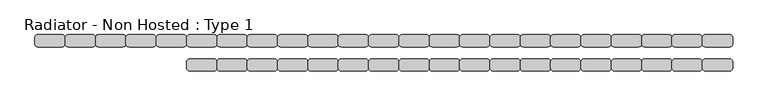
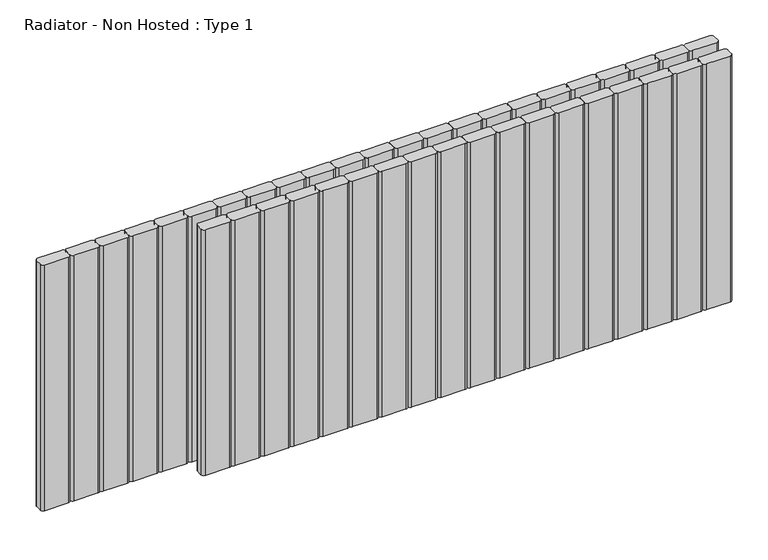
"""IFC4 building model written with IfcOpenShell, lengths in millimetres: proxy geometry, Radiator - Non Hosted : Type 1."""

from ifc_helpers import new_model, si_unit, point, frame, frame_2d, origin, place, context, project, spatial, polyline, circle_curve, trimmed, segment, composite_curve, outline, extrude, source, transform, mapped, element, save


def radiator_non_hosted_type_1_db65b21e(model_context):
    return source(origin(), model_context, "Body", "SweptSolid", [
        extrude(outline(composite_curve([segment(trimmed(circle_curve(frame_2d((1295.0, 95.0)), 5.0), [point((1295.0, 100.0))], [point((1300.0, 95.0))], False, "CARTESIAN"), True, "CONTINUOUS"), segment(polyline([(1300.0, 95.0), (1300.0, 85.0)]), True, "CONTINUOUS"), segment(trimmed(circle_curve(frame_2d((1295.0, 85.0)), 5.0), [point((1300.0, 85.0))], [point((1295.0, 80.0))], False, "CARTESIAN"), True, "CONTINUOUS"), segment(polyline([(1295.0, 80.0), (1255.0, 80.0)]), True, "CONTINUOUS"), segment(trimmed(circle_curve(frame_2d((1255.0, 85.0)), 5.0), [point((1255.0, 80.0))], [point((1250.0, 85.0))], False, "CARTESIAN"), True, "CONTINUOUS"), segment(polyline([(1250.0, 85.0), (1250.0, 95.0)]), True, "CONTINUOUS"), segment(trimmed(circle_curve(frame_2d((1255.0, 95.0)), 5.0), [point((1250.0, 95.0))], [point((1255.0, 100.0))], False, "CARTESIAN"), True, "CONTINUOUS"), segment(polyline([(1255.0, 100.0), (1295.0, 100.0)]), True, "CONTINUOUS")], self_intersect=False)), frame((0.0, 0.0, 100.0), z_axis=(0.0, 0.0, 1.0), x_axis=(1.0, 0.0, 0.0)), (0.0, 0.0, 1.0), 441.0619944),
        extrude(outline(composite_curve([segment(trimmed(circle_curve(frame_2d((1245.0, 95.0)), 5.0), [point((1245.0, 100.0))], [point((1250.0, 95.0))], False, "CARTESIAN"), True, "CONTINUOUS"), segment(polyline([(1250.0, 95.0), (1250.0, 85.0)]), True, "CONTINUOUS"), segment(trimmed(circle_curve(frame_2d((1245.0, 85.0)), 5.0), [point((1250.0, 85.0))], [point((1245.0, 80.0))], False, "CARTESIAN"), True, "CONTINUOUS"), segment(polyline([(1245.0, 80.0), (1205.0, 80.0)]), True, "CONTINUOUS"), segment(trimmed(circle_curve(frame_2d((1205.0, 85.0)), 5.0), [point((1205.0, 80.0))], [point((1200.0, 85.0))], False, "CARTESIAN"), True, "CONTINUOUS"), segment(polyline([(1200.0, 85.0), (1200.0, 95.0)]), True, "CONTINUOUS"), segment(trimmed(circle_curve(frame_2d((1205.0, 95.0)), 5.0), [point((1200.0, 95.0))], [point((1205.0, 100.0))], False, "CARTESIAN"), True, "CONTINUOUS"), segment(polyline([(1205.0, 100.0), (1245.0, 100.0)]), True, "CONTINUOUS")], self_intersect=False)), frame((0.0, 0.0, 100.0), z_axis=(0.0, 0.0, 1.0), x_axis=(1.0, 0.0, 0.0)), (0.0, 0.0, 1.0), 441.0619944),
        extrude(outline(composite_curve([segment(trimmed(circle_curve(frame_2d((1195.0, 95.0)), 5.0), [point((1195.0, 100.0))], [point((1200.0, 95.0))], False, "CARTESIAN"), True, "CONTINUOUS"), segment(polyline([(1200.0, 95.0), (1200.0, 85.0)]), True, "CONTINUOUS"), segment(trimmed(circle_curve(frame_2d((1195.0, 85.0)), 5.0), [point((1200.0, 85.0))], [point((1195.0, 80.0))], False, "CARTESIAN"), True, "CONTINUOUS"), segment(polyline([(1195.0, 80.0), (1155.0, 80.0)]), True, "CONTINUOUS"), segment(trimmed(circle_curve(frame_2d((1155.0, 85.0)), 5.0), [point((1155.0, 80.0))], [point((1150.0, 85.0))], False, "CARTESIAN"), True, "CONTINUOUS"), segment(polyline([(1150.0, 85.0), (1150.0, 95.0)]), True, "CONTINUOUS"), segment(trimmed(circle_curve(frame_2d((1155.0, 95.0)), 5.0), [point((1150.0, 95.0))], [point((1155.0, 100.0))], False, "CARTESIAN"), True, "CONTINUOUS"), segment(polyline([(1155.0, 100.0), (1195.0, 100.0)]), True, "CONTINUOUS")], self_intersect=False)), frame((0.0, 0.0, 100.0), z_axis=(0.0, 0.0, 1.0), x_axis=(1.0, 0.0, 0.0)), (0.0, 0.0, 1.0), 441.0619944),
        extrude(outline(composite_curve([segment(trimmed(circle_curve(frame_2d((1145.0, 95.0)), 5.0), [point((1145.0, 100.0))], [point((1150.0, 95.0))], False, "CARTESIAN"), True, "CONTINUOUS"), segment(polyline([(1150.0, 95.0), (1150.0, 85.0)]), True, "CONTINUOUS"), segment(trimmed(circle_curve(frame_2d((1145.0, 85.0)), 5.0), [point((1150.0, 85.0))], [point((1145.0, 80.0))], False, "CARTESIAN"), True, "CONTINUOUS"), segment(polyline([(1145.0, 80.0), (1105.0, 80.0)]), True, "CONTINUOUS"), segment(trimmed(circle_curve(frame_2d((1105.0, 85.0)), 5.0), [point((1105.0, 80.0))], [point((1100.0, 85.0))], False, "CARTESIAN"), True, "CONTINUOUS"), segment(polyline([(1100.0, 85.0), (1100.0, 95.0)]), True, "CONTINUOUS"), segment(trimmed(circle_curve(frame_2d((1105.0, 95.0)), 5.0), [point((1100.0, 95.0))], [point((1105.0, 100.0))], False, "CARTESIAN"), True, "CONTINUOUS"), segment(polyline([(1105.0, 100.0), (1145.0, 100.0)]), True, "CONTINUOUS")], self_intersect=False)), frame((0.0, 0.0, 100.0), z_axis=(0.0, 0.0, 1.0), x_axis=(1.0, 0.0, 0.0)), (0.0, 0.0, 1.0), 441.0619944),
        extrude(outline(composite_curve([segment(trimmed(circle_curve(frame_2d((1095.0, 95.0)), 5.0), [point((1095.0, 100.0))], [point((1100.0, 95.0))], False, "CARTESIAN"), True, "CONTINUOUS"), segment(polyline([(1100.0, 95.0), (1100.0, 85.0)]), True, "CONTINUOUS"), segment(trimmed(circle_curve(frame_2d((1095.0, 85.0)), 5.0), [point((1100.0, 85.0))], [point((1095.0, 80.0))], False, "CARTESIAN"), True, "CONTINUOUS"), segment(polyline([(1095.0, 80.0), (1055.0, 80.0)]), True, "CONTINUOUS"), segment(trimmed(circle_curve(frame_2d((1055.0, 85.0)), 5.0), [point((1055.0, 80.0))], [point((1050.0, 85.0))], False, "CARTESIAN"), True, "CONTINUOUS"), segment(polyline([(1050.0, 85.0), (1050.0, 95.0)]), True, "CONTINUOUS"), segment(trimmed(circle_curve(frame_2d((1055.0, 95.0)), 5.0), [point((1050.0, 95.0))], [point((1055.0, 100.0))], False, "CARTESIAN"), True, "CONTINUOUS"), segment(polyline([(1055.0, 100.0), (1095.0, 100.0)]), True, "CONTINUOUS")], self_intersect=False)), frame((0.0, 0.0, 100.0), z_axis=(0.0, 0.0, 1.0), x_axis=(1.0, 0.0, 0.0)), (0.0, 0.0, 1.0), 441.0619944),
        extrude(outline(composite_curve([segment(trimmed(circle_curve(frame_2d((1045.0, 95.0)), 5.0), [point((1045.0, 100.0))], [point((1050.0, 95.0))], False, "CARTESIAN"), True, "CONTINUOUS"), segment(polyline([(1050.0, 95.0), (1050.0, 85.0)]), True, "CONTINUOUS"), segment(trimmed(circle_curve(frame_2d((1045.0, 85.0)), 5.0), [point((1050.0, 85.0))], [point((1045.0, 80.0))], False, "CARTESIAN"), True, "CONTINUOUS"), segment(polyline([(1045.0, 80.0), (1005.0, 80.0)]), True, "CONTINUOUS"), segment(trimmed(circle_curve(frame_2d((1005.0, 85.0)), 5.0), [point((1005.0, 80.0))], [point((1000.0, 85.0))], False, "CARTESIAN"), True, "CONTINUOUS"), segment(polyline([(1000.0, 85.0), (1000.0, 95.0)]), True, "CONTINUOUS"), segment(trimmed(circle_curve(frame_2d((1005.0, 95.0)), 5.0), [point((1000.0, 95.0))], [point((1005.0, 100.0))], False, "CARTESIAN"), True, "CONTINUOUS"), segment(polyline([(1005.0, 100.0), (1045.0, 100.0)]), True, "CONTINUOUS")], self_intersect=False)), frame((0.0, 0.0, 100.0), z_axis=(0.0, 0.0, 1.0), x_axis=(1.0, 0.0, 0.0)), (0.0, 0.0, 1.0), 441.0619944),
        extrude(outline(composite_curve([segment(trimmed(circle_curve(frame_2d((995.0, 95.0)), 5.0), [point((995.0, 100.0))], [point((1000.0, 95.0))], False, "CARTESIAN"), True, "CONTINUOUS"), segment(polyline([(1000.0, 95.0), (1000.0, 85.0)]), True, "CONTINUOUS"), segment(trimmed(circle_curve(frame_2d((995.0, 85.0)), 5.0), [point((1000.0, 85.0))], [point((995.0, 80.0))], False, "CARTESIAN"), True, "CONTINUOUS"), segment(polyline([(995.0, 80.0), (955.0, 80.0)]), True, "CONTINUOUS"), segment(trimmed(circle_curve(frame_2d((955.0, 85.0)), 5.0), [point((955.0, 80.0))], [point((950.0, 85.0))], False, "CARTESIAN"), True, "CONTINUOUS"), segment(polyline([(950.0, 85.0), (950.0, 95.0)]), True, "CONTINUOUS"), segment(trimmed(circle_curve(frame_2d((955.0, 95.0)), 5.0), [point((950.0, 95.0))], [point((955.0, 100.0))], False, "CARTESIAN"), True, "CONTINUOUS"), segment(polyline([(955.0, 100.0), (995.0, 100.0)]), True, "CONTINUOUS")], self_intersect=False)), frame((0.0, 0.0, 100.0), z_axis=(0.0, 0.0, 1.0), x_axis=(1.0, 0.0, 0.0)), (0.0, 0.0, 1.0), 441.0619944),
        extrude(outline(composite_curve([segment(trimmed(circle_curve(frame_2d((945.0, 95.0)), 5.0), [point((945.0, 100.0))], [point((950.0, 95.0))], False, "CARTESIAN"), True, "CONTINUOUS"), segment(polyline([(950.0, 95.0), (950.0, 85.0)]), True, "CONTINUOUS"), segment(trimmed(circle_curve(frame_2d((945.0, 85.0)), 5.0), [point((950.0, 85.0))], [point((945.0, 80.0))], False, "CARTESIAN"), True, "CONTINUOUS"), segment(polyline([(945.0, 80.0), (905.0, 80.0)]), True, "CONTINUOUS"), segment(trimmed(circle_curve(frame_2d((905.0, 85.0)), 5.0), [point((905.0, 80.0))], [point((900.0, 85.0))], False, "CARTESIAN"), True, "CONTINUOUS"), segment(polyline([(900.0, 85.0), (900.0, 95.0)]), True, "CONTINUOUS"), segment(trimmed(circle_curve(frame_2d((905.0, 95.0)), 5.0), [point((900.0, 95.0))], [point((905.0, 100.0))], False, "CARTESIAN"), True, "CONTINUOUS"), segment(polyline([(905.0, 100.0), (945.0, 100.0)]), True, "CONTINUOUS")], self_intersect=False)), frame((0.0, 0.0, 100.0), z_axis=(0.0, 0.0, 1.0), x_axis=(1.0, 0.0, 0.0)), (0.0, 0.0, 1.0), 441.0619944),
        extrude(outline(composite_curve([segment(trimmed(circle_curve(frame_2d((895.0, 95.0)), 5.0), [point((895.0, 100.0))], [point((900.0, 95.0))], False, "CARTESIAN"), True, "CONTINUOUS"), segment(polyline([(900.0, 95.0), (900.0, 85.0)]), True, "CONTINUOUS"), segment(trimmed(circle_curve(frame_2d((895.0, 85.0)), 5.0), [point((900.0, 85.0))], [point((895.0, 80.0))], False, "CARTESIAN"), True, "CONTINUOUS"), segment(polyline([(895.0, 80.0), (855.0, 80.0)]), True, "CONTINUOUS"), segment(trimmed(circle_curve(frame_2d((855.0, 85.0)), 5.0), [point((855.0, 80.0))], [point((850.0, 85.0))], False, "CARTESIAN"), True, "CONTINUOUS"), segment(polyline([(850.0, 85.0), (850.0, 95.0)]), True, "CONTINUOUS"), segment(trimmed(circle_curve(frame_2d((855.0, 95.0)), 5.0), [point((850.0, 95.0))], [point((855.0, 100.0))], False, "CARTESIAN"), True, "CONTINUOUS"), segment(polyline([(855.0, 100.0), (895.0, 100.0)]), True, "CONTINUOUS")], self_intersect=False)), frame((0.0, 0.0, 100.0), z_axis=(0.0, 0.0, 1.0), x_axis=(1.0, 0.0, 0.0)), (0.0, 0.0, 1.0), 441.0619944),
        extrude(outline(composite_curve([segment(trimmed(circle_curve(frame_2d((845.0, 95.0)), 5.0), [point((845.0, 100.0))], [point((850.0, 95.0))], False, "CARTESIAN"), True, "CONTINUOUS"), segment(polyline([(850.0, 95.0), (850.0, 85.0)]), True, "CONTINUOUS"), segment(trimmed(circle_curve(frame_2d((845.0, 85.0)), 5.0), [point((850.0, 85.0))], [point((845.0, 80.0))], False, "CARTESIAN"), True, "CONTINUOUS"), segment(polyline([(845.0, 80.0), (805.0, 80.0)]), True, "CONTINUOUS"), segment(trimmed(circle_curve(frame_2d((805.0, 85.0)), 5.0), [point((805.0, 80.0))], [point((800.0, 85.0))], False, "CARTESIAN"), True, "CONTINUOUS"), segment(polyline([(800.0, 85.0), (800.0, 95.0)]), True, "CONTINUOUS"), segment(trimmed(circle_curve(frame_2d((805.0, 95.0)), 5.0), [point((800.0, 95.0))], [point((805.0, 100.0))], False, "CARTESIAN"), True, "CONTINUOUS"), segment(polyline([(805.0, 100.0), (845.0, 100.0)]), True, "CONTINUOUS")], self_intersect=False)), frame((0.0, 0.0, 100.0), z_axis=(0.0, 0.0, 1.0), x_axis=(1.0, 0.0, 0.0)), (0.0, 0.0, 1.0), 441.0619944),
        extrude(outline(composite_curve([segment(trimmed(circle_curve(frame_2d((795.0, 95.0)), 5.0), [point((795.0, 100.0))], [point((800.0, 95.0))], False, "CARTESIAN"), True, "CONTINUOUS"), segment(polyline([(800.0, 95.0), (800.0, 85.0)]), True, "CONTINUOUS"), segment(trimmed(circle_curve(frame_2d((795.0, 85.0)), 5.0), [point((800.0, 85.0))], [point((795.0, 80.0))], False, "CARTESIAN"), True, "CONTINUOUS"), segment(polyline([(795.0, 80.0), (755.0, 80.0)]), True, "CONTINUOUS"), segment(trimmed(circle_curve(frame_2d((755.0, 85.0)), 5.0), [point((755.0, 80.0))], [point((750.0, 85.0))], False, "CARTESIAN"), True, "CONTINUOUS"), segment(polyline([(750.0, 85.0), (750.0, 95.0)]), True, "CONTINUOUS"), segment(trimmed(circle_curve(frame_2d((755.0, 95.0)), 5.0), [point((750.0, 95.0))], [point((755.0, 100.0))], False, "CARTESIAN"), True, "CONTINUOUS"), segment(polyline([(755.0, 100.0), (795.0, 100.0)]), True, "CONTINUOUS")], self_intersect=False)), frame((0.0, 0.0, 100.0), z_axis=(0.0, 0.0, 1.0), x_axis=(1.0, 0.0, 0.0)), (0.0, 0.0, 1.0), 441.0619944),
        extrude(outline(composite_curve([segment(trimmed(circle_curve(frame_2d((745.0, 95.0)), 5.0), [point((745.0, 100.0))], [point((750.0, 95.0))], False, "CARTESIAN"), True, "CONTINUOUS"), segment(polyline([(750.0, 95.0), (750.0, 85.0)]), True, "CONTINUOUS"), segment(trimmed(circle_curve(frame_2d((745.0, 85.0)), 5.0), [point((750.0, 85.0))], [point((745.0, 80.0))], False, "CARTESIAN"), True, "CONTINUOUS"), segment(polyline([(745.0, 80.0), (705.0, 80.0)]), True, "CONTINUOUS"), segment(trimmed(circle_curve(frame_2d((705.0, 85.0)), 5.0), [point((705.0, 80.0))], [point((700.0, 85.0))], False, "CARTESIAN"), True, "CONTINUOUS"), segment(polyline([(700.0, 85.0), (700.0, 95.0)]), True, "CONTINUOUS"), segment(trimmed(circle_curve(frame_2d((705.0, 95.0)), 5.0), [point((700.0, 95.0))], [point((705.0, 100.0))], False, "CARTESIAN"), True, "CONTINUOUS"), segment(polyline([(705.0, 100.0), (745.0, 100.0)]), True, "CONTINUOUS")], self_intersect=False)), frame((0.0, 0.0, 100.0), z_axis=(0.0, 0.0, 1.0), x_axis=(1.0, 0.0, 0.0)), (0.0, 0.0, 1.0), 441.0619944),
        extrude(outline(composite_curve([segment(trimmed(circle_curve(frame_2d((695.0, 95.0)), 5.0), [point((695.0, 100.0))], [point((700.0, 95.0))], False, "CARTESIAN"), True, "CONTINUOUS"), segment(polyline([(700.0, 95.0), (700.0, 85.0)]), True, "CONTINUOUS"), segment(trimmed(circle_curve(frame_2d((695.0, 85.0)), 5.0), [point((700.0, 85.0))], [point((695.0, 80.0))], False, "CARTESIAN"), True, "CONTINUOUS"), segment(polyline([(695.0, 80.0), (655.0, 80.0)]), True, "CONTINUOUS"), segment(trimmed(circle_curve(frame_2d((655.0, 85.0)), 5.0), [point((655.0, 80.0))], [point((650.0, 85.0))], False, "CARTESIAN"), True, "CONTINUOUS"), segment(polyline([(650.0, 85.0), (650.0, 95.0)]), True, "CONTINUOUS"), segment(trimmed(circle_curve(frame_2d((655.0, 95.0)), 5.0), [point((650.0, 95.0))], [point((655.0, 100.0))], False, "CARTESIAN"), True, "CONTINUOUS"), segment(polyline([(655.0, 100.0), (695.0, 100.0)]), True, "CONTINUOUS")], self_intersect=False)), frame((0.0, 0.0, 100.0), z_axis=(0.0, 0.0, 1.0), x_axis=(1.0, 0.0, 0.0)), (0.0, 0.0, 1.0), 441.0619944),
        extrude(outline(composite_curve([segment(trimmed(circle_curve(frame_2d((645.0, 95.0)), 5.0), [point((645.0, 100.0))], [point((650.0, 95.0))], False, "CARTESIAN"), True, "CONTINUOUS"), segment(polyline([(650.0, 95.0), (650.0, 85.0)]), True, "CONTINUOUS"), segment(trimmed(circle_curve(frame_2d((645.0, 85.0)), 5.0), [point((650.0, 85.0))], [point((645.0, 80.0))], False, "CARTESIAN"), True, "CONTINUOUS"), segment(polyline([(645.0, 80.0), (605.0, 80.0)]), True, "CONTINUOUS"), segment(trimmed(circle_curve(frame_2d((605.0, 85.0)), 5.0), [point((605.0, 80.0))], [point((600.0, 85.0))], False, "CARTESIAN"), True, "CONTINUOUS"), segment(polyline([(600.0, 85.0), (600.0, 95.0)]), True, "CONTINUOUS"), segment(trimmed(circle_curve(frame_2d((605.0, 95.0)), 5.0), [point((600.0, 95.0))], [point((605.0, 100.0))], False, "CARTESIAN"), True, "CONTINUOUS"), segment(polyline([(605.0, 100.0), (645.0, 100.0)]), True, "CONTINUOUS")], self_intersect=False)), frame((0.0, 0.0, 100.0), z_axis=(0.0, 0.0, 1.0), x_axis=(1.0, 0.0, 0.0)), (0.0, 0.0, 1.0), 441.0619944),
        extrude(outline(composite_curve([segment(trimmed(circle_curve(frame_2d((1295.0, 55.0)), 5.0), [point((1295.0, 60.0))], [point((1300.0, 55.0))], False, "CARTESIAN"), True, "CONTINUOUS"), segment(polyline([(1300.0, 55.0), (1300.0, 45.0)]), True, "CONTINUOUS"), segment(trimmed(circle_curve(frame_2d((1295.0, 45.0)), 5.0), [point((1300.0, 45.0))], [point((1295.0, 40.0))], False, "CARTESIAN"), True, "CONTINUOUS"), segment(polyline([(1295.0, 40.0), (1255.0, 40.0)]), True, "CONTINUOUS"), segment(trimmed(circle_curve(frame_2d((1255.0, 45.0)), 5.0), [point((1255.0, 40.0))], [point((1250.0, 45.0))], False, "CARTESIAN"), True, "CONTINUOUS"), segment(polyline([(1250.0, 45.0), (1250.0, 55.0)]), True, "CONTINUOUS"), segment(trimmed(circle_curve(frame_2d((1255.0, 55.0)), 5.0), [point((1250.0, 55.0))], [point((1255.0, 60.0))], False, "CARTESIAN"), True, "CONTINUOUS"), segment(polyline([(1255.0, 60.0), (1295.0, 60.0)]), True, "CONTINUOUS")], self_intersect=False)), frame((0.0, 0.0, 100.0), z_axis=(0.0, 0.0, 1.0), x_axis=(1.0, 0.0, 0.0)), (0.0, 0.0, 1.0), 441.0619944),
        extrude(outline(composite_curve([segment(trimmed(circle_curve(frame_2d((1245.0, 55.0)), 5.0), [point((1245.0, 60.0))], [point((1250.0, 55.0))], False, "CARTESIAN"), True, "CONTINUOUS"), segment(polyline([(1250.0, 55.0), (1250.0, 45.0)]), True, "CONTINUOUS"), segment(trimmed(circle_curve(frame_2d((1245.0, 45.0)), 5.0), [point((1250.0, 45.0))], [point((1245.0, 40.0))], False, "CARTESIAN"), True, "CONTINUOUS"), segment(polyline([(1245.0, 40.0), (1205.0, 40.0)]), True, "CONTINUOUS"), segment(trimmed(circle_curve(frame_2d((1205.0, 45.0)), 5.0), [point((1205.0, 40.0))], [point((1200.0, 45.0))], False, "CARTESIAN"), True, "CONTINUOUS"), segment(polyline([(1200.0, 45.0), (1200.0, 55.0)]), True, "CONTINUOUS"), segment(trimmed(circle_curve(frame_2d((1205.0, 55.0)), 5.0), [point((1200.0, 55.0))], [point((1205.0, 60.0))], False, "CARTESIAN"), True, "CONTINUOUS"), segment(polyline([(1205.0, 60.0), (1245.0, 60.0)]), True, "CONTINUOUS")], self_intersect=False)), frame((0.0, 0.0, 100.0), z_axis=(0.0, 0.0, 1.0), x_axis=(1.0, 0.0, 0.0)), (0.0, 0.0, 1.0), 441.0619944),
        extrude(outline(composite_curve([segment(trimmed(circle_curve(frame_2d((1195.0, 55.0)), 5.0), [point((1195.0, 60.0))], [point((1200.0, 55.0))], False, "CARTESIAN"), True, "CONTINUOUS"), segment(polyline([(1200.0, 55.0), (1200.0, 45.0)]), True, "CONTINUOUS"), segment(trimmed(circle_curve(frame_2d((1195.0, 45.0)), 5.0), [point((1200.0, 45.0))], [point((1195.0, 40.0))], False, "CARTESIAN"), True, "CONTINUOUS"), segment(polyline([(1195.0, 40.0), (1155.0, 40.0)]), True, "CONTINUOUS"), segment(trimmed(circle_curve(frame_2d((1155.0, 45.0)), 5.0), [point((1155.0, 40.0))], [point((1150.0, 45.0))], False, "CARTESIAN"), True, "CONTINUOUS"), segment(polyline([(1150.0, 45.0), (1150.0, 55.0)]), True, "CONTINUOUS"), segment(trimmed(circle_curve(frame_2d((1155.0, 55.0)), 5.0), [point((1150.0, 55.0))], [point((1155.0, 60.0))], False, "CARTESIAN"), True, "CONTINUOUS"), segment(polyline([(1155.0, 60.0), (1195.0, 60.0)]), True, "CONTINUOUS")], self_intersect=False)), frame((0.0, 0.0, 100.0), z_axis=(0.0, 0.0, 1.0), x_axis=(1.0, 0.0, 0.0)), (0.0, 0.0, 1.0), 441.0619944),
        extrude(outline(composite_curve([segment(trimmed(circle_curve(frame_2d((1145.0, 55.0)), 5.0), [point((1145.0, 60.0))], [point((1150.0, 55.0))], False, "CARTESIAN"), True, "CONTINUOUS"), segment(polyline([(1150.0, 55.0), (1150.0, 45.0)]), True, "CONTINUOUS"), segment(trimmed(circle_curve(frame_2d((1145.0, 45.0)), 5.0), [point((1150.0, 45.0))], [point((1145.0, 40.0))], False, "CARTESIAN"), True, "CONTINUOUS"), segment(polyline([(1145.0, 40.0), (1105.0, 40.0)]), True, "CONTINUOUS"), segment(trimmed(circle_curve(frame_2d((1105.0, 45.0)), 5.0), [point((1105.0, 40.0))], [point((1100.0, 45.0))], False, "CARTESIAN"), True, "CONTINUOUS"), segment(polyline([(1100.0, 45.0), (1100.0, 55.0)]), True, "CONTINUOUS"), segment(trimmed(circle_curve(frame_2d((1105.0, 55.0)), 5.0), [point((1100.0, 55.0))], [point((1105.0, 60.0))], False, "CARTESIAN"), True, "CONTINUOUS"), segment(polyline([(1105.0, 60.0), (1145.0, 60.0)]), True, "CONTINUOUS")], self_intersect=False)), frame((0.0, 0.0, 100.0), z_axis=(0.0, 0.0, 1.0), x_axis=(1.0, 0.0, 0.0)), (0.0, 0.0, 1.0), 441.0619944),
        extrude(outline(composite_curve([segment(trimmed(circle_curve(frame_2d((1095.0, 55.0)), 5.0), [point((1095.0, 60.0))], [point((1100.0, 55.0))], False, "CARTESIAN"), True, "CONTINUOUS"), segment(polyline([(1100.0, 55.0), (1100.0, 45.0)]), True, "CONTINUOUS"), segment(trimmed(circle_curve(frame_2d((1095.0, 45.0)), 5.0), [point((1100.0, 45.0))], [point((1095.0, 40.0))], False, "CARTESIAN"), True, "CONTINUOUS"), segment(polyline([(1095.0, 40.0), (1055.0, 40.0)]), True, "CONTINUOUS"), segment(trimmed(circle_curve(frame_2d((1055.0, 45.0)), 5.0), [point((1055.0, 40.0))], [point((1050.0, 45.0))], False, "CARTESIAN"), True, "CONTINUOUS"), segment(polyline([(1050.0, 45.0), (1050.0, 55.0)]), True, "CONTINUOUS"), segment(trimmed(circle_curve(frame_2d((1055.0, 55.0)), 5.0), [point((1050.0, 55.0))], [point((1055.0, 60.0))], False, "CARTESIAN"), True, "CONTINUOUS"), segment(polyline([(1055.0, 60.0), (1095.0, 60.0)]), True, "CONTINUOUS")], self_intersect=False)), frame((0.0, 0.0, 100.0), z_axis=(0.0, 0.0, 1.0), x_axis=(1.0, 0.0, 0.0)), (0.0, 0.0, 1.0), 441.0619944),
        extrude(outline(composite_curve([segment(trimmed(circle_curve(frame_2d((1045.0, 55.0)), 5.0), [point((1045.0, 60.0))], [point((1050.0, 55.0))], False, "CARTESIAN"), True, "CONTINUOUS"), segment(polyline([(1050.0, 55.0), (1050.0, 45.0)]), True, "CONTINUOUS"), segment(trimmed(circle_curve(frame_2d((1045.0, 45.0)), 5.0), [point((1050.0, 45.0))], [point((1045.0, 40.0))], False, "CARTESIAN"), True, "CONTINUOUS"), segment(polyline([(1045.0, 40.0), (1005.0, 40.0)]), True, "CONTINUOUS"), segment(trimmed(circle_curve(frame_2d((1005.0, 45.0)), 5.0), [point((1005.0, 40.0))], [point((1000.0, 45.0))], False, "CARTESIAN"), True, "CONTINUOUS"), segment(polyline([(1000.0, 45.0), (1000.0, 55.0)]), True, "CONTINUOUS"), segment(trimmed(circle_curve(frame_2d((1005.0, 55.0)), 5.0), [point((1000.0, 55.0))], [point((1005.0, 60.0))], False, "CARTESIAN"), True, "CONTINUOUS"), segment(polyline([(1005.0, 60.0), (1045.0, 60.0)]), True, "CONTINUOUS")], self_intersect=False)), frame((0.0, 0.0, 100.0), z_axis=(0.0, 0.0, 1.0), x_axis=(1.0, 0.0, 0.0)), (0.0, 0.0, 1.0), 441.0619944),
        extrude(outline(composite_curve([segment(trimmed(circle_curve(frame_2d((995.0, 55.0)), 5.0), [point((995.0, 60.0))], [point((1000.0, 55.0))], False, "CARTESIAN"), True, "CONTINUOUS"), segment(polyline([(1000.0, 55.0), (1000.0, 45.0)]), True, "CONTINUOUS"), segment(trimmed(circle_curve(frame_2d((995.0, 45.0)), 5.0), [point((1000.0, 45.0))], [point((995.0, 40.0))], False, "CARTESIAN"), True, "CONTINUOUS"), segment(polyline([(995.0, 40.0), (955.0, 40.0)]), True, "CONTINUOUS"), segment(trimmed(circle_curve(frame_2d((955.0, 45.0)), 5.0), [point((955.0, 40.0))], [point((950.0, 45.0))], False, "CARTESIAN"), True, "CONTINUOUS"), segment(polyline([(950.0, 45.0), (950.0, 55.0)]), True, "CONTINUOUS"), segment(trimmed(circle_curve(frame_2d((955.0, 55.0)), 5.0), [point((950.0, 55.0))], [point((955.0, 60.0))], False, "CARTESIAN"), True, "CONTINUOUS"), segment(polyline([(955.0, 60.0), (995.0, 60.0)]), True, "CONTINUOUS")], self_intersect=False)), frame((0.0, 0.0, 100.0), z_axis=(0.0, 0.0, 1.0), x_axis=(1.0, 0.0, 0.0)), (0.0, 0.0, 1.0), 441.0619944),
        extrude(outline(composite_curve([segment(trimmed(circle_curve(frame_2d((945.0, 55.0)), 5.0), [point((945.0, 60.0))], [point((950.0, 55.0))], False, "CARTESIAN"), True, "CONTINUOUS"), segment(polyline([(950.0, 55.0), (950.0, 45.0)]), True, "CONTINUOUS"), segment(trimmed(circle_curve(frame_2d((945.0, 45.0)), 5.0), [point((950.0, 45.0))], [point((945.0, 40.0))], False, "CARTESIAN"), True, "CONTINUOUS"), segment(polyline([(945.0, 40.0), (905.0, 40.0)]), True, "CONTINUOUS"), segment(trimmed(circle_curve(frame_2d((905.0, 45.0)), 5.0), [point((905.0, 40.0))], [point((900.0, 45.0))], False, "CARTESIAN"), True, "CONTINUOUS"), segment(polyline([(900.0, 45.0), (900.0, 55.0)]), True, "CONTINUOUS"), segment(trimmed(circle_curve(frame_2d((905.0, 55.0)), 5.0), [point((900.0, 55.0))], [point((905.0, 60.0))], False, "CARTESIAN"), True, "CONTINUOUS"), segment(polyline([(905.0, 60.0), (945.0, 60.0)]), True, "CONTINUOUS")], self_intersect=False)), frame((0.0, 0.0, 100.0), z_axis=(0.0, 0.0, 1.0), x_axis=(1.0, 0.0, 0.0)), (0.0, 0.0, 1.0), 441.0619944),
        extrude(outline(composite_curve([segment(trimmed(circle_curve(frame_2d((895.0, 55.0)), 5.0), [point((895.0, 60.0))], [point((900.0, 55.0))], False, "CARTESIAN"), True, "CONTINUOUS"), segment(polyline([(900.0, 55.0), (900.0, 45.0)]), True, "CONTINUOUS"), segment(trimmed(circle_curve(frame_2d((895.0, 45.0)), 5.0), [point((900.0, 45.0))], [point((895.0, 40.0))], False, "CARTESIAN"), True, "CONTINUOUS"), segment(polyline([(895.0, 40.0), (855.0, 40.0)]), True, "CONTINUOUS"), segment(trimmed(circle_curve(frame_2d((855.0, 45.0)), 5.0), [point((855.0, 40.0))], [point((850.0, 45.0))], False, "CARTESIAN"), True, "CONTINUOUS"), segment(polyline([(850.0, 45.0), (850.0, 55.0)]), True, "CONTINUOUS"), segment(trimmed(circle_curve(frame_2d((855.0, 55.0)), 5.0), [point((850.0, 55.0))], [point((855.0, 60.0))], False, "CARTESIAN"), True, "CONTINUOUS"), segment(polyline([(855.0, 60.0), (895.0, 60.0)]), True, "CONTINUOUS")], self_intersect=False)), frame((0.0, 0.0, 100.0), z_axis=(0.0, 0.0, 1.0), x_axis=(1.0, 0.0, 0.0)), (0.0, 0.0, 1.0), 441.0619944),
        extrude(outline(composite_curve([segment(trimmed(circle_curve(frame_2d((845.0, 55.0)), 5.0), [point((845.0, 60.0))], [point((850.0, 55.0))], False, "CARTESIAN"), True, "CONTINUOUS"), segment(polyline([(850.0, 55.0), (850.0, 45.0)]), True, "CONTINUOUS"), segment(trimmed(circle_curve(frame_2d((845.0, 45.0)), 5.0), [point((850.0, 45.0))], [point((845.0, 40.0))], False, "CARTESIAN"), True, "CONTINUOUS"), segment(polyline([(845.0, 40.0), (805.0, 40.0)]), True, "CONTINUOUS"), segment(trimmed(circle_curve(frame_2d((805.0, 45.0)), 5.0), [point((805.0, 40.0))], [point((800.0, 45.0))], False, "CARTESIAN"), True, "CONTINUOUS"), segment(polyline([(800.0, 45.0), (800.0, 55.0)]), True, "CONTINUOUS"), segment(trimmed(circle_curve(frame_2d((805.0, 55.0)), 5.0), [point((800.0, 55.0))], [point((805.0, 60.0))], False, "CARTESIAN"), True, "CONTINUOUS"), segment(polyline([(805.0, 60.0), (845.0, 60.0)]), True, "CONTINUOUS")], self_intersect=False)), frame((0.0, 0.0, 100.0), z_axis=(0.0, 0.0, 1.0), x_axis=(1.0, 0.0, 0.0)), (0.0, 0.0, 1.0), 441.0619944),
        extrude(outline(composite_curve([segment(trimmed(circle_curve(frame_2d((795.0, 55.0)), 5.0), [point((795.0, 60.0))], [point((800.0, 55.0))], False, "CARTESIAN"), True, "CONTINUOUS"), segment(polyline([(800.0, 55.0), (800.0, 45.0)]), True, "CONTINUOUS"), segment(trimmed(circle_curve(frame_2d((795.0, 45.0)), 5.0), [point((800.0, 45.0))], [point((795.0, 40.0))], False, "CARTESIAN"), True, "CONTINUOUS"), segment(polyline([(795.0, 40.0), (755.0, 40.0)]), True, "CONTINUOUS"), segment(trimmed(circle_curve(frame_2d((755.0, 45.0)), 5.0), [point((755.0, 40.0))], [point((750.0, 45.0))], False, "CARTESIAN"), True, "CONTINUOUS"), segment(polyline([(750.0, 45.0), (750.0, 55.0)]), True, "CONTINUOUS"), segment(trimmed(circle_curve(frame_2d((755.0, 55.0)), 5.0), [point((750.0, 55.0))], [point((755.0, 60.0))], False, "CARTESIAN"), True, "CONTINUOUS"), segment(polyline([(755.0, 60.0), (795.0, 60.0)]), True, "CONTINUOUS")], self_intersect=False)), frame((0.0, 0.0, 100.0), z_axis=(0.0, 0.0, 1.0), x_axis=(1.0, 0.0, 0.0)), (0.0, 0.0, 1.0), 441.0619944),
        extrude(outline(composite_curve([segment(trimmed(circle_curve(frame_2d((745.0, 55.0)), 5.0), [point((745.0, 60.0))], [point((750.0, 55.0))], False, "CARTESIAN"), True, "CONTINUOUS"), segment(polyline([(750.0, 55.0), (750.0, 45.0)]), True, "CONTINUOUS"), segment(trimmed(circle_curve(frame_2d((745.0, 45.0)), 5.0), [point((750.0, 45.0))], [point((745.0, 40.0))], False, "CARTESIAN"), True, "CONTINUOUS"), segment(polyline([(745.0, 40.0), (705.0, 40.0)]), True, "CONTINUOUS"), segment(trimmed(circle_curve(frame_2d((705.0, 45.0)), 5.0), [point((705.0, 40.0))], [point((700.0, 45.0))], False, "CARTESIAN"), True, "CONTINUOUS"), segment(polyline([(700.0, 45.0), (700.0, 55.0)]), True, "CONTINUOUS"), segment(trimmed(circle_curve(frame_2d((705.0, 55.0)), 5.0), [point((700.0, 55.0))], [point((705.0, 60.0))], False, "CARTESIAN"), True, "CONTINUOUS"), segment(polyline([(705.0, 60.0), (745.0, 60.0)]), True, "CONTINUOUS")], self_intersect=False)), frame((0.0, 0.0, 100.0), z_axis=(0.0, 0.0, 1.0), x_axis=(1.0, 0.0, 0.0)), (0.0, 0.0, 1.0), 441.0619944),
        extrude(outline(composite_curve([segment(trimmed(circle_curve(frame_2d((695.0, 55.0)), 5.0), [point((695.0, 60.0))], [point((700.0, 55.0))], False, "CARTESIAN"), True, "CONTINUOUS"), segment(polyline([(700.0, 55.0), (700.0, 45.0)]), True, "CONTINUOUS"), segment(trimmed(circle_curve(frame_2d((695.0, 45.0)), 5.0), [point((700.0, 45.0))], [point((695.0, 40.0))], False, "CARTESIAN"), True, "CONTINUOUS"), segment(polyline([(695.0, 40.0), (655.0, 40.0)]), True, "CONTINUOUS"), segment(trimmed(circle_curve(frame_2d((655.0, 45.0)), 5.0), [point((655.0, 40.0))], [point((650.0, 45.0))], False, "CARTESIAN"), True, "CONTINUOUS"), segment(polyline([(650.0, 45.0), (650.0, 55.0)]), True, "CONTINUOUS"), segment(trimmed(circle_curve(frame_2d((655.0, 55.0)), 5.0), [point((650.0, 55.0))], [point((655.0, 60.0))], False, "CARTESIAN"), True, "CONTINUOUS"), segment(polyline([(655.0, 60.0), (695.0, 60.0)]), True, "CONTINUOUS")], self_intersect=False)), frame((0.0, 0.0, 100.0), z_axis=(0.0, 0.0, 1.0), x_axis=(1.0, 0.0, 0.0)), (0.0, 0.0, 1.0), 441.0619944),
        extrude(outline(composite_curve([segment(trimmed(circle_curve(frame_2d((645.0, 55.0)), 5.0), [point((645.0, 60.0))], [point((650.0, 55.0))], False, "CARTESIAN"), True, "CONTINUOUS"), segment(polyline([(650.0, 55.0), (650.0, 45.0)]), True, "CONTINUOUS"), segment(trimmed(circle_curve(frame_2d((645.0, 45.0)), 5.0), [point((650.0, 45.0))], [point((645.0, 40.0))], False, "CARTESIAN"), True, "CONTINUOUS"), segment(polyline([(645.0, 40.0), (605.0, 40.0)]), True, "CONTINUOUS"), segment(trimmed(circle_curve(frame_2d((605.0, 45.0)), 5.0), [point((605.0, 40.0))], [point((600.0, 45.0))], False, "CARTESIAN"), True, "CONTINUOUS"), segment(polyline([(600.0, 45.0), (600.0, 55.0)]), True, "CONTINUOUS"), segment(trimmed(circle_curve(frame_2d((605.0, 55.0)), 5.0), [point((600.0, 55.0))], [point((605.0, 60.0))], False, "CARTESIAN"), True, "CONTINUOUS"), segment(polyline([(605.0, 60.0), (645.0, 60.0)]), True, "CONTINUOUS")], self_intersect=False)), frame((0.0, 0.0, 100.0), z_axis=(0.0, 0.0, 1.0), x_axis=(1.0, 0.0, 0.0)), (0.0, 0.0, 1.0), 441.0619944),
        extrude(outline(composite_curve([segment(trimmed(circle_curve(frame_2d((595.0, 95.0)), 5.0), [point((595.0, 100.0))], [point((600.0, 95.0))], False, "CARTESIAN"), True, "CONTINUOUS"), segment(polyline([(600.0, 95.0), (600.0, 85.0)]), True, "CONTINUOUS"), segment(trimmed(circle_curve(frame_2d((595.0, 85.0)), 5.0), [point((600.0, 85.0))], [point((595.0, 80.0))], False, "CARTESIAN"), True, "CONTINUOUS"), segment(polyline([(595.0, 80.0), (555.0, 80.0)]), True, "CONTINUOUS"), segment(trimmed(circle_curve(frame_2d((555.0, 85.0)), 5.0), [point((555.0, 80.0))], [point((550.0, 85.0))], False, "CARTESIAN"), True, "CONTINUOUS"), segment(polyline([(550.0, 85.0), (550.0, 95.0)]), True, "CONTINUOUS"), segment(trimmed(circle_curve(frame_2d((555.0, 95.0)), 5.0), [point((550.0, 95.0))], [point((555.0, 100.0))], False, "CARTESIAN"), True, "CONTINUOUS"), segment(polyline([(555.0, 100.0), (595.0, 100.0)]), True, "CONTINUOUS")], self_intersect=False)), frame((0.0, 0.0, 100.0), z_axis=(0.0, 0.0, 1.0), x_axis=(1.0, 0.0, 0.0)), (0.0, 0.0, 1.0), 441.0619944),
        extrude(outline(composite_curve([segment(trimmed(circle_curve(frame_2d((545.0, 95.0)), 5.0), [point((545.0, 100.0))], [point((550.0, 95.0))], False, "CARTESIAN"), True, "CONTINUOUS"), segment(polyline([(550.0, 95.0), (550.0, 85.0)]), True, "CONTINUOUS"), segment(trimmed(circle_curve(frame_2d((545.0, 85.0)), 5.0), [point((550.0, 85.0))], [point((545.0, 80.0))], False, "CARTESIAN"), True, "CONTINUOUS"), segment(polyline([(545.0, 80.0), (505.0, 80.0)]), True, "CONTINUOUS"), segment(trimmed(circle_curve(frame_2d((505.0, 85.0)), 5.0), [point((505.0, 80.0))], [point((500.0, 85.0))], False, "CARTESIAN"), True, "CONTINUOUS"), segment(polyline([(500.0, 85.0), (500.0, 95.0)]), True, "CONTINUOUS"), segment(trimmed(circle_curve(frame_2d((505.0, 95.0)), 5.0), [point((500.0, 95.0))], [point((505.0, 100.0))], False, "CARTESIAN"), True, "CONTINUOUS"), segment(polyline([(505.0, 100.0), (545.0, 100.0)]), True, "CONTINUOUS")], self_intersect=False)), frame((0.0, 0.0, 100.0), z_axis=(0.0, 0.0, 1.0), x_axis=(1.0, 0.0, 0.0)), (0.0, 0.0, 1.0), 441.0619944),
        extrude(outline(composite_curve([segment(trimmed(circle_curve(frame_2d((495.0, 95.0)), 5.0), [point((495.0, 100.0))], [point((500.0, 95.0))], False, "CARTESIAN"), True, "CONTINUOUS"), segment(polyline([(500.0, 95.0), (500.0, 85.0)]), True, "CONTINUOUS"), segment(trimmed(circle_curve(frame_2d((495.0, 85.0)), 5.0), [point((500.0, 85.0))], [point((495.0, 80.0))], False, "CARTESIAN"), True, "CONTINUOUS"), segment(polyline([(495.0, 80.0), (455.0, 80.0)]), True, "CONTINUOUS"), segment(trimmed(circle_curve(frame_2d((455.0, 85.0)), 5.0), [point((455.0, 80.0))], [point((450.0, 85.0))], False, "CARTESIAN"), True, "CONTINUOUS"), segment(polyline([(450.0, 85.0), (450.0, 95.0)]), True, "CONTINUOUS"), segment(trimmed(circle_curve(frame_2d((455.0, 95.0)), 5.0), [point((450.0, 95.0))], [point((455.0, 100.0))], False, "CARTESIAN"), True, "CONTINUOUS"), segment(polyline([(455.0, 100.0), (495.0, 100.0)]), True, "CONTINUOUS")], self_intersect=False)), frame((0.0, 0.0, 100.0), z_axis=(0.0, 0.0, 1.0), x_axis=(1.0, 0.0, 0.0)), (0.0, 0.0, 1.0), 441.0619944),
        extrude(outline(composite_curve([segment(trimmed(circle_curve(frame_2d((445.0, 95.0)), 5.0), [point((445.0, 100.0))], [point((450.0, 95.0))], False, "CARTESIAN"), True, "CONTINUOUS"), segment(polyline([(450.0, 95.0), (450.0, 85.0)]), True, "CONTINUOUS"), segment(trimmed(circle_curve(frame_2d((445.0, 85.0)), 5.0), [point((450.0, 85.0))], [point((445.0, 80.0))], False, "CARTESIAN"), True, "CONTINUOUS"), segment(polyline([(445.0, 80.0), (405.0, 80.0)]), True, "CONTINUOUS"), segment(trimmed(circle_curve(frame_2d((405.0, 85.0)), 5.0), [point((405.0, 80.0))], [point((400.0, 85.0))], False, "CARTESIAN"), True, "CONTINUOUS"), segment(polyline([(400.0, 85.0), (400.0, 95.0)]), True, "CONTINUOUS"), segment(trimmed(circle_curve(frame_2d((405.0, 95.0)), 5.0), [point((400.0, 95.0))], [point((405.0, 100.0))], False, "CARTESIAN"), True, "CONTINUOUS"), segment(polyline([(405.0, 100.0), (445.0, 100.0)]), True, "CONTINUOUS")], self_intersect=False)), frame((0.0, 0.0, 100.0), z_axis=(0.0, 0.0, 1.0), x_axis=(1.0, 0.0, 0.0)), (0.0, 0.0, 1.0), 441.0619944),
        extrude(outline(composite_curve([segment(trimmed(circle_curve(frame_2d((395.0, 95.0)), 5.0), [point((395.0, 100.0))], [point((400.0, 95.0))], False, "CARTESIAN"), True, "CONTINUOUS"), segment(polyline([(400.0, 95.0), (400.0, 85.0)]), True, "CONTINUOUS"), segment(trimmed(circle_curve(frame_2d((395.0, 85.0)), 5.0), [point((400.0, 85.0))], [point((395.0, 80.0))], False, "CARTESIAN"), True, "CONTINUOUS"), segment(polyline([(395.0, 80.0), (355.0, 80.0)]), True, "CONTINUOUS"), segment(trimmed(circle_curve(frame_2d((355.0, 85.0)), 5.0), [point((355.0, 80.0))], [point((350.0, 85.0))], False, "CARTESIAN"), True, "CONTINUOUS"), segment(polyline([(350.0, 85.0), (350.0, 95.0)]), True, "CONTINUOUS"), segment(trimmed(circle_curve(frame_2d((355.0, 95.0)), 5.0), [point((350.0, 95.0))], [point((355.0, 100.0))], False, "CARTESIAN"), True, "CONTINUOUS"), segment(polyline([(355.0, 100.0), (395.0, 100.0)]), True, "CONTINUOUS")], self_intersect=False)), frame((0.0, 0.0, 100.0), z_axis=(0.0, 0.0, 1.0), x_axis=(1.0, 0.0, 0.0)), (0.0, 0.0, 1.0), 441.0619944),
        extrude(outline(composite_curve([segment(trimmed(circle_curve(frame_2d((345.0, 95.0)), 5.0), [point((345.0, 100.0))], [point((350.0, 95.0))], False, "CARTESIAN"), True, "CONTINUOUS"), segment(polyline([(350.0, 95.0), (350.0, 85.0)]), True, "CONTINUOUS"), segment(trimmed(circle_curve(frame_2d((345.0, 85.0)), 5.0), [point((350.0, 85.0))], [point((345.0, 80.0))], False, "CARTESIAN"), True, "CONTINUOUS"), segment(polyline([(345.0, 80.0), (305.0, 80.0)]), True, "CONTINUOUS"), segment(trimmed(circle_curve(frame_2d((305.0, 85.0)), 5.0), [point((305.0, 80.0))], [point((300.0, 85.0))], False, "CARTESIAN"), True, "CONTINUOUS"), segment(polyline([(300.0, 85.0), (300.0, 95.0)]), True, "CONTINUOUS"), segment(trimmed(circle_curve(frame_2d((305.0, 95.0)), 5.0), [point((300.0, 95.0))], [point((305.0, 100.0))], False, "CARTESIAN"), True, "CONTINUOUS"), segment(polyline([(305.0, 100.0), (345.0, 100.0)]), True, "CONTINUOUS")], self_intersect=False)), frame((0.0, 0.0, 100.0), z_axis=(0.0, 0.0, 1.0), x_axis=(1.0, 0.0, 0.0)), (0.0, 0.0, 1.0), 441.0619944),
        extrude(outline(composite_curve([segment(trimmed(circle_curve(frame_2d((295.0, 95.0)), 5.0), [point((295.0, 100.0))], [point((300.0, 95.0))], False, "CARTESIAN"), True, "CONTINUOUS"), segment(polyline([(300.0, 95.0), (300.0, 85.0)]), True, "CONTINUOUS"), segment(trimmed(circle_curve(frame_2d((295.0, 85.0)), 5.0), [point((300.0, 85.0))], [point((295.0, 80.0))], False, "CARTESIAN"), True, "CONTINUOUS"), segment(polyline([(295.0, 80.0), (255.0, 80.0)]), True, "CONTINUOUS"), segment(trimmed(circle_curve(frame_2d((255.0, 85.0)), 5.0), [point((255.0, 80.0))], [point((250.0, 85.0))], False, "CARTESIAN"), True, "CONTINUOUS"), segment(polyline([(250.0, 85.0), (250.0, 95.0)]), True, "CONTINUOUS"), segment(trimmed(circle_curve(frame_2d((255.0, 95.0)), 5.0), [point((250.0, 95.0))], [point((255.0, 100.0))], False, "CARTESIAN"), True, "CONTINUOUS"), segment(polyline([(255.0, 100.0), (295.0, 100.0)]), True, "CONTINUOUS")], self_intersect=False)), frame((0.0, 0.0, 100.0), z_axis=(0.0, 0.0, 1.0), x_axis=(1.0, 0.0, 0.0)), (0.0, 0.0, 1.0), 441.0619944),
        extrude(outline(composite_curve([segment(trimmed(circle_curve(frame_2d((245.0, 95.0)), 5.0), [point((245.0, 100.0))], [point((250.0, 95.0))], False, "CARTESIAN"), True, "CONTINUOUS"), segment(polyline([(250.0, 95.0), (250.0, 85.0)]), True, "CONTINUOUS"), segment(trimmed(circle_curve(frame_2d((245.0, 85.0)), 5.0), [point((250.0, 85.0))], [point((245.0, 80.0))], False, "CARTESIAN"), True, "CONTINUOUS"), segment(polyline([(245.0, 80.0), (205.0, 80.0)]), True, "CONTINUOUS"), segment(trimmed(circle_curve(frame_2d((205.0, 85.0)), 5.0), [point((205.0, 80.0))], [point((200.0, 85.0))], False, "CARTESIAN"), True, "CONTINUOUS"), segment(polyline([(200.0, 85.0), (200.0, 95.0)]), True, "CONTINUOUS"), segment(trimmed(circle_curve(frame_2d((205.0, 95.0)), 5.0), [point((200.0, 95.0))], [point((205.0, 100.0))], False, "CARTESIAN"), True, "CONTINUOUS"), segment(polyline([(205.0, 100.0), (245.0, 100.0)]), True, "CONTINUOUS")], self_intersect=False)), frame((0.0, 0.0, 100.0), z_axis=(0.0, 0.0, 1.0), x_axis=(1.0, 0.0, 0.0)), (0.0, 0.0, 1.0), 441.0619944),
        extrude(outline(composite_curve([segment(trimmed(circle_curve(frame_2d((195.0, 95.0)), 5.0), [point((195.0, 100.0))], [point((200.0, 95.0))], False, "CARTESIAN"), True, "CONTINUOUS"), segment(polyline([(200.0, 95.0), (200.0, 85.0)]), True, "CONTINUOUS"), segment(trimmed(circle_curve(frame_2d((195.0, 85.0)), 5.0), [point((200.0, 85.0))], [point((195.0, 80.0))], False, "CARTESIAN"), True, "CONTINUOUS"), segment(polyline([(195.0, 80.0), (155.0, 80.0)]), True, "CONTINUOUS"), segment(trimmed(circle_curve(frame_2d((155.0, 85.0)), 5.0), [point((155.0, 80.0))], [point((150.0, 85.0))], False, "CARTESIAN"), True, "CONTINUOUS"), segment(polyline([(150.0, 85.0), (150.0, 95.0)]), True, "CONTINUOUS"), segment(trimmed(circle_curve(frame_2d((155.0, 95.0)), 5.0), [point((150.0, 95.0))], [point((155.0, 100.0))], False, "CARTESIAN"), True, "CONTINUOUS"), segment(polyline([(155.0, 100.0), (195.0, 100.0)]), True, "CONTINUOUS")], self_intersect=False)), frame((0.0, 0.0, 100.0), z_axis=(0.0, 0.0, 1.0), x_axis=(1.0, 0.0, 0.0)), (0.0, 0.0, 1.0), 441.0619944),
        extrude(outline(composite_curve([segment(trimmed(circle_curve(frame_2d((595.0, 55.0)), 5.0), [point((595.0, 60.0))], [point((600.0, 55.0))], False, "CARTESIAN"), True, "CONTINUOUS"), segment(polyline([(600.0, 55.0), (600.0, 45.0)]), True, "CONTINUOUS"), segment(trimmed(circle_curve(frame_2d((595.0, 45.0)), 5.0), [point((600.0, 45.0))], [point((595.0, 40.0))], False, "CARTESIAN"), True, "CONTINUOUS"), segment(polyline([(595.0, 40.0), (555.0, 40.0)]), True, "CONTINUOUS"), segment(trimmed(circle_curve(frame_2d((555.0, 45.0)), 5.0), [point((555.0, 40.0))], [point((550.0, 45.0))], False, "CARTESIAN"), True, "CONTINUOUS"), segment(polyline([(550.0, 45.0), (550.0, 55.0)]), True, "CONTINUOUS"), segment(trimmed(circle_curve(frame_2d((555.0, 55.0)), 5.0), [point((550.0, 55.0))], [point((555.0, 60.0))], False, "CARTESIAN"), True, "CONTINUOUS"), segment(polyline([(555.0, 60.0), (595.0, 60.0)]), True, "CONTINUOUS")], self_intersect=False)), frame((0.0, 0.0, 100.0), z_axis=(0.0, 0.0, 1.0), x_axis=(1.0, 0.0, 0.0)), (0.0, 0.0, 1.0), 441.0619944),
        extrude(outline(composite_curve([segment(trimmed(circle_curve(frame_2d((545.0, 55.0)), 5.0), [point((545.0, 60.0))], [point((550.0, 55.0))], False, "CARTESIAN"), True, "CONTINUOUS"), segment(polyline([(550.0, 55.0), (550.0, 45.0)]), True, "CONTINUOUS"), segment(trimmed(circle_curve(frame_2d((545.0, 45.0)), 5.0), [point((550.0, 45.0))], [point((545.0, 40.0))], False, "CARTESIAN"), True, "CONTINUOUS"), segment(polyline([(545.0, 40.0), (505.0, 40.0)]), True, "CONTINUOUS"), segment(trimmed(circle_curve(frame_2d((505.0, 45.0)), 5.0), [point((505.0, 40.0))], [point((500.0, 45.0))], False, "CARTESIAN"), True, "CONTINUOUS"), segment(polyline([(500.0, 45.0), (500.0, 55.0)]), True, "CONTINUOUS"), segment(trimmed(circle_curve(frame_2d((505.0, 55.0)), 5.0), [point((500.0, 55.0))], [point((505.0, 60.0))], False, "CARTESIAN"), True, "CONTINUOUS"), segment(polyline([(505.0, 60.0), (545.0, 60.0)]), True, "CONTINUOUS")], self_intersect=False)), frame((0.0, 0.0, 100.0), z_axis=(0.0, 0.0, 1.0), x_axis=(1.0, 0.0, 0.0)), (0.0, 0.0, 1.0), 441.0619944),
        extrude(outline(composite_curve([segment(trimmed(circle_curve(frame_2d((495.0, 55.0)), 5.0), [point((495.0, 60.0))], [point((500.0, 55.0))], False, "CARTESIAN"), True, "CONTINUOUS"), segment(polyline([(500.0, 55.0), (500.0, 45.0)]), True, "CONTINUOUS"), segment(trimmed(circle_curve(frame_2d((495.0, 45.0)), 5.0), [point((500.0, 45.0))], [point((495.0, 40.0))], False, "CARTESIAN"), True, "CONTINUOUS"), segment(polyline([(495.0, 40.0), (455.0, 40.0)]), True, "CONTINUOUS"), segment(trimmed(circle_curve(frame_2d((455.0, 45.0)), 5.0), [point((455.0, 40.0))], [point((450.0, 45.0))], False, "CARTESIAN"), True, "CONTINUOUS"), segment(polyline([(450.0, 45.0), (450.0, 55.0)]), True, "CONTINUOUS"), segment(trimmed(circle_curve(frame_2d((455.0, 55.0)), 5.0), [point((450.0, 55.0))], [point((455.0, 60.0))], False, "CARTESIAN"), True, "CONTINUOUS"), segment(polyline([(455.0, 60.0), (495.0, 60.0)]), True, "CONTINUOUS")], self_intersect=False)), frame((0.0, 0.0, 100.0), z_axis=(0.0, 0.0, 1.0), x_axis=(1.0, 0.0, 0.0)), (0.0, 0.0, 1.0), 441.0619944),
        extrude(outline(composite_curve([segment(trimmed(circle_curve(frame_2d((445.0, 55.0)), 5.0), [point((445.0, 60.0))], [point((450.0, 55.0))], False, "CARTESIAN"), True, "CONTINUOUS"), segment(polyline([(450.0, 55.0), (450.0, 45.0)]), True, "CONTINUOUS"), segment(trimmed(circle_curve(frame_2d((445.0, 45.0)), 5.0), [point((450.0, 45.0))], [point((445.0, 40.0))], False, "CARTESIAN"), True, "CONTINUOUS"), segment(polyline([(445.0, 40.0), (405.0, 40.0)]), True, "CONTINUOUS"), segment(trimmed(circle_curve(frame_2d((405.0, 45.0)), 5.0), [point((405.0, 40.0))], [point((400.0, 45.0))], False, "CARTESIAN"), True, "CONTINUOUS"), segment(polyline([(400.0, 45.0), (400.0, 55.0)]), True, "CONTINUOUS"), segment(trimmed(circle_curve(frame_2d((405.0, 55.0)), 5.0), [point((400.0, 55.0))], [point((405.0, 60.0))], False, "CARTESIAN"), True, "CONTINUOUS"), segment(polyline([(405.0, 60.0), (445.0, 60.0)]), True, "CONTINUOUS")], self_intersect=False)), frame((0.0, 0.0, 100.0), z_axis=(0.0, 0.0, 1.0), x_axis=(1.0, 0.0, 0.0)), (0.0, 0.0, 1.0), 441.0619944),
    ])


if __name__ == "__main__":
    model = new_model("IFC4")
    model_context = context("Model", 3, world=origin())
    ifc_project = project(units=[si_unit("LENGTHUNIT", "METRE", prefix="MILLI")], contexts=[model_context])
    site = spatial("IfcSite", under=ifc_project)
    building = spatial("IfcBuilding", under=site)
    placement = place(None, origin())
    radiator_non_hosted_type_1_shape = radiator_non_hosted_type_1_db65b21e(model_context)
    element("IfcBuildingElementProxy", 1, Name="Radiator - Non Hosted : Type 1", ObjectType="Radiator - Non Hosted : Type 1", at=placement, inside=building, context=model_context, shape_type="MappedRepresentation", body=[
        mapped(radiator_non_hosted_type_1_shape, transform((0.0, 0.0, 0.0), x_axis=(1.0, 0.0, 0.0), y_axis=(0.0, 1.0, 0.0), z_axis=(0.0, 0.0, 1.0))),
    ])
    save(model, "model.ifc")
